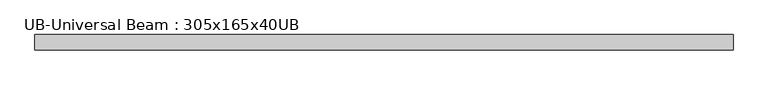
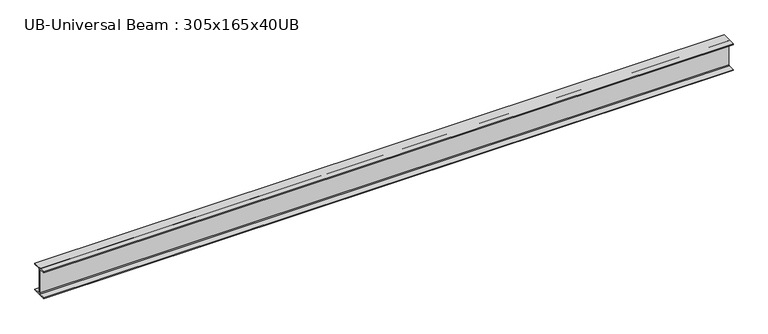
"""IFC4 building model written with IfcOpenShell, lengths in millimetres: beam geometry, UB-Universal Beam : 305x165x40UB."""

from ifc_helpers import new_model, si_unit, point, frame, frame_2d, origin, place, context, project, spatial, polyline, circle_curve, trimmed, segment, composite_curve, outline, extrude, source, transform, mapped, element, save


def ub_universal_beam_305x165x40ub_10bf7961(model_context):
    return source(origin(), model_context, "Body", "SweptSolid", [
        extrude(outline(composite_curve([segment(polyline([(82.5, -141.5), (82.5, -151.7), (-82.5, -151.7), (-82.5, -141.5), (-11.9, -141.5)]), True, "CONTINUOUS"), segment(trimmed(circle_curve(frame_2d((-11.9, -132.6)), 8.9), [point((-11.9, -141.5))], [point((-3.0, -132.6))], True, "CARTESIAN"), True, "CONTINUOUS"), segment(polyline([(-3.0, -132.6), (-3.0, 132.6)]), True, "CONTINUOUS"), segment(trimmed(circle_curve(frame_2d((-11.9, 132.6)), 8.9), [point((-3.0, 132.6))], [point((-11.9, 141.5))], True, "CARTESIAN"), True, "CONTINUOUS"), segment(polyline([(-11.9, 141.5), (-82.5, 141.5), (-82.5, 151.7), (82.5, 151.7), (82.5, 141.5), (11.9, 141.5)]), True, "CONTINUOUS"), segment(trimmed(circle_curve(frame_2d((11.9, 132.6)), 8.9), [point((11.9, 141.5))], [point((3.0, 132.6))], True, "CARTESIAN"), True, "CONTINUOUS"), segment(polyline([(3.0, 132.6), (3.0, -132.6)]), True, "CONTINUOUS"), segment(trimmed(circle_curve(frame_2d((11.9, -132.6)), 8.9), [point((3.0, -132.6))], [point((11.9, -141.5))], True, "CARTESIAN"), True, "CONTINUOUS"), segment(polyline([(11.9, -141.5), (82.5, -141.5)]), True, "CONTINUOUS")], self_intersect=False)), frame((-3701.55, 0.0, 0.0), z_axis=(1.0, 0.0, 0.0), x_axis=(0.0, 1.0, 0.0)), (0.0, 0.0, 1.0), 7403.1),
    ])


if __name__ == "__main__":
    model = new_model("IFC4")
    model_context = context("Model", 3, world=origin())
    ifc_project = project(units=[si_unit("LENGTHUNIT", "METRE", prefix="MILLI")], contexts=[model_context])
    site = spatial("IfcSite", under=ifc_project)
    building = spatial("IfcBuilding", under=site)
    placement = place(None, origin())
    ub_universal_beam_305x165x40ub_shape = ub_universal_beam_305x165x40ub_10bf7961(model_context)
    element("IfcBeam", 1, ObjectType="UB-Universal Beam : 305x165x40UB", at=placement, inside=building, context=model_context, shape_type="MappedRepresentation", body=[
        mapped(ub_universal_beam_305x165x40ub_shape, transform((0.0, 0.0, 0.0), x_axis=(1.0, 0.0, 0.0), y_axis=(0.0, 1.0, 0.0), z_axis=(0.0, 0.0, 1.0))),
    ])
    save(model, "model.ifc")
